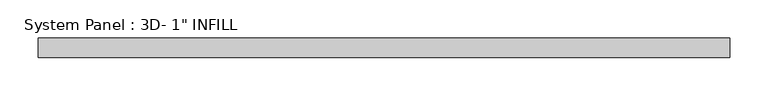
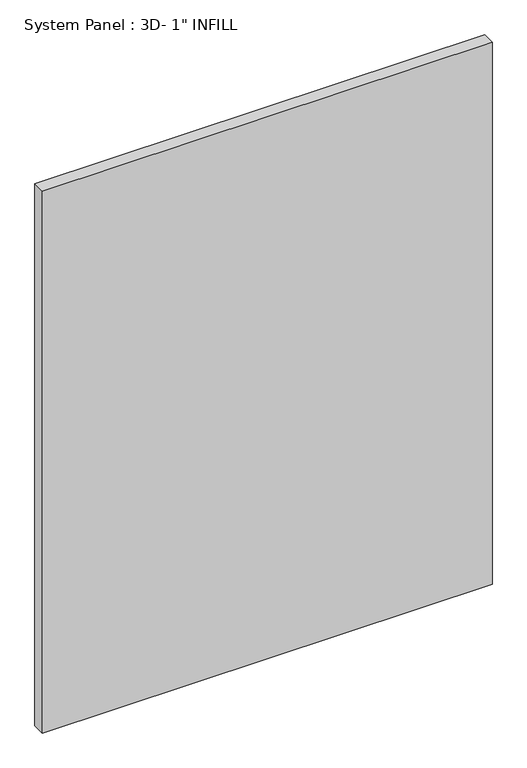
"""IFC4 building model written with IfcOpenShell, lengths in millimetres: plate geometry."""

from ifc_helpers import new_model, si_unit, origin, origin_with_axes, place, context, project, spatial, polyline, outline, extrude, source, transform, mapped, element, save


def plate_92b5c831(model_context):
    return source(origin(), model_context, "Body", "SweptSolid", [
        extrude(outline(polyline([(450.2785, -5.4570312), (-450.2785, -5.4570312), (-450.2785, 19.9429688), (450.2785, 19.9429688), (450.2785, -5.4570312)])), origin_with_axes(), (0.0, 0.0, 1.0), 1147.0230159),
    ])


if __name__ == "__main__":
    model = new_model("IFC4")
    model_context = context("Model", 3, world=origin())
    ifc_project = project(units=[si_unit("LENGTHUNIT", "METRE", prefix="MILLI")], contexts=[model_context])
    site = spatial("IfcSite", under=ifc_project)
    building = spatial("IfcBuilding", under=site)
    placement = place(None, origin())
    plate_shape = plate_92b5c831(model_context)
    element("IfcPlate", 1, ObjectType="System Panel : 3D- 1\" INFILL", at=placement, inside=building, context=model_context, shape_type="MappedRepresentation", body=[
        mapped(plate_shape, transform((0.0, 0.0, 0.0), x_axis=(1.0, 0.0, 0.0), y_axis=(0.0, 1.0, 0.0), z_axis=(0.0, 0.0, 1.0))),
    ])
    save(model, "model.ifc")
